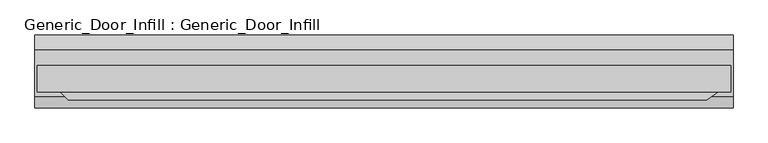
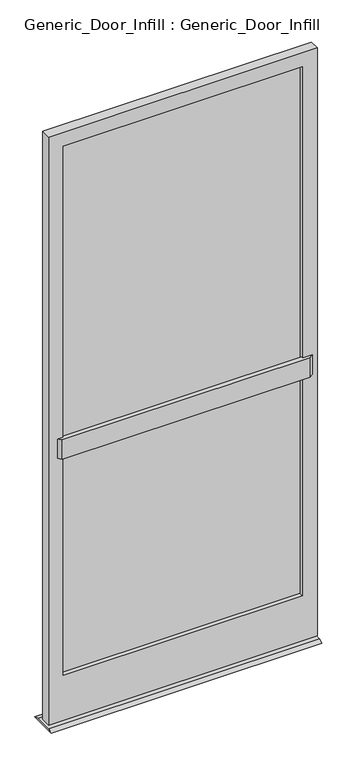
"""IFC4 building model written with IfcOpenShell, lengths in millimetres: plate geometry, Generic_Door_Infill : Generic_Door_Infill."""

from ifc_helpers import new_model, si_unit, frame, origin, place, context, project, spatial, polyline, outline, extrude, source, transform, mapped, element, save


def generic_door_infill_generic_door_infill_a5da7d10(model_context):
    return source(origin(), model_context, "Body", "SweptSolid", [
        extrude(outline(polyline([(-471.5719478, -23.1230014), (-489.53246, -5.1624892), (507.6894421, -5.1624892), (482.0391724, -23.1230014), (-471.5719478, -23.1230014)])), frame((0.0, 0.0, 1090.3849987), z_axis=(0.0, 0.0, 1.0), x_axis=(1.0, 0.0, 0.0)), (0.0, 0.0, 1.0), 78.0150013),
        extrude(outline(polyline([(-460.95746, 11.3062662), (460.95746, 11.3062662), (460.95746, 4.9562662), (-460.95746, 4.9562662), (-460.95746, 11.3062662)])), frame((0.0, 0.0, 200.025), z_axis=(0.0, 0.0, 1.0), x_axis=(1.0, 0.0, 0.0)), (0.0, 0.0, 1.0), 2152.6697094),
        extrude(outline(polyline([(2409.8447094, 518.10746), (2409.8447094, -518.10746), (17.4625, -518.10746), (17.4625, 518.10746), (2409.8447094, 518.10746)]), holes=[polyline([(2352.6947094, 460.95746), (200.025, 460.95746), (200.025, -460.95746), (2352.6947094, -460.95746), (2352.6947094, 460.95746)])]), frame((0.0, -11.5124892, 0.0), z_axis=(0.0, 1.0, 0.0), x_axis=(0.0, 0.0, 1.0)), (0.0, 0.0, 1.0), 39.2875108),
        extrude(outline(polyline([(-17.8624892, 8.0508779), (51.9875108, 8.0508779), (74.107116, 0.0), (-35.1276525, 0.0), (-17.8624892, 8.0508779)])), frame((-521.28246, 0.0, 0.0), z_axis=(1.0, 0.0, 0.0), x_axis=(0.0, 1.0, 0.0)), (0.0, 0.0, 1.0), 1042.56492),
    ])


if __name__ == "__main__":
    model = new_model("IFC4")
    model_context = context("Model", 3, world=origin())
    ifc_project = project(units=[si_unit("LENGTHUNIT", "METRE", prefix="MILLI")], contexts=[model_context])
    site = spatial("IfcSite", under=ifc_project)
    building = spatial("IfcBuilding", under=site)
    placement = place(None, origin())
    generic_door_infill_generic_door_infill_shape = generic_door_infill_generic_door_infill_a5da7d10(model_context)
    element("IfcPlate", 1, ObjectType="Generic_Door_Infill : Generic_Door_Infill", at=placement, inside=building, context=model_context, shape_type="MappedRepresentation", body=[
        mapped(generic_door_infill_generic_door_infill_shape, transform((0.0, 0.0, 0.0), x_axis=(1.0, 0.0, 0.0), y_axis=(0.0, 1.0, 0.0), z_axis=(0.0, 0.0, 1.0))),
    ])
    save(model, "model.ifc")
